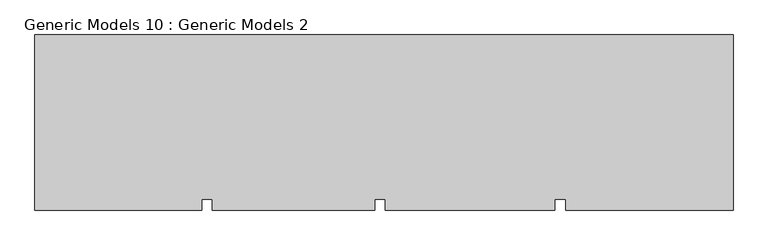
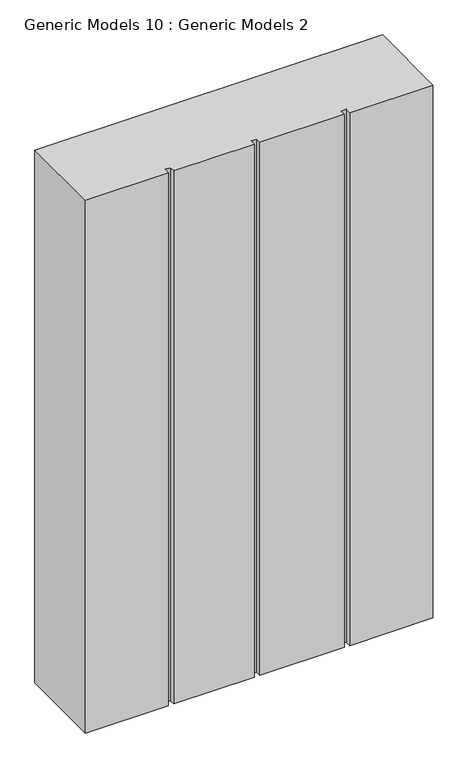
"""IFC4 building model written with IfcOpenShell, lengths in millimetres: proxy geometry, Generic Models 10 : Generic Models 2."""

from ifc_helpers import new_model, si_unit, frame, origin, place, context, project, spatial, polyline, outline, extrude, source, transform, mapped, element, save


def generic_models_10_generic_models_2_f393af1e(model_context):
    return source(origin(), model_context, "Body", "SweptSolid", [
        extrude(outline(polyline([(2231.7164352, -19881.5060032), (2231.7164352, -20368.5482183), (1767.3070227, -20368.5482183), (1767.3070227, -20336.9057177), (1737.2735899, -20336.9057177), (1737.2735899, -20368.5482183), (1267.3070227, -20368.5482183), (1267.3070227, -20336.9057177), (1237.2735899, -20336.9057177), (1237.2735899, -20368.5482183), (787.3070227, -20368.5482183), (787.3070227, -20336.9057177), (757.2735899, -20336.9057177), (757.2735899, -20368.5482183), (295.0243952, -20368.5482183), (295.0243952, -19881.5060032), (2231.7164352, -19881.5060032)])), frame((0.0, 0.0, 5905.5257027), z_axis=(0.0, 0.0, 1.0), x_axis=(1.0, 0.0, 0.0)), (0.0, 0.0, 1.0), 3139.1810234),
    ])


if __name__ == "__main__":
    model = new_model("IFC4")
    model_context = context("Model", 3, world=origin())
    ifc_project = project(units=[si_unit("LENGTHUNIT", "METRE", prefix="MILLI")], contexts=[model_context])
    site = spatial("IfcSite", under=ifc_project)
    building = spatial("IfcBuilding", under=site)
    placement = place(None, origin())
    generic_models_10_generic_models_2_shape = generic_models_10_generic_models_2_f393af1e(model_context)
    element("IfcBuildingElementProxy", 1, Name="Generic Models 10 : Generic Models 2", ObjectType="Generic Models 10 : Generic Models 2", at=placement, inside=building, context=model_context, shape_type="MappedRepresentation", body=[
        mapped(generic_models_10_generic_models_2_shape, transform((0.0, 0.0, 0.0), x_axis=(1.0, 0.0, 0.0), y_axis=(0.0, 1.0, 0.0), z_axis=(0.0, 0.0, 1.0))),
    ])
    save(model, "model.ifc")
